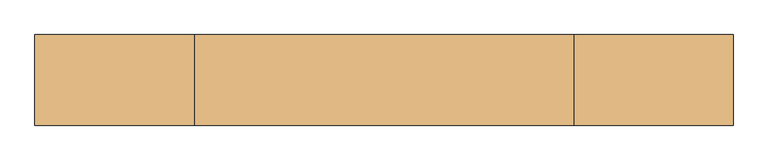
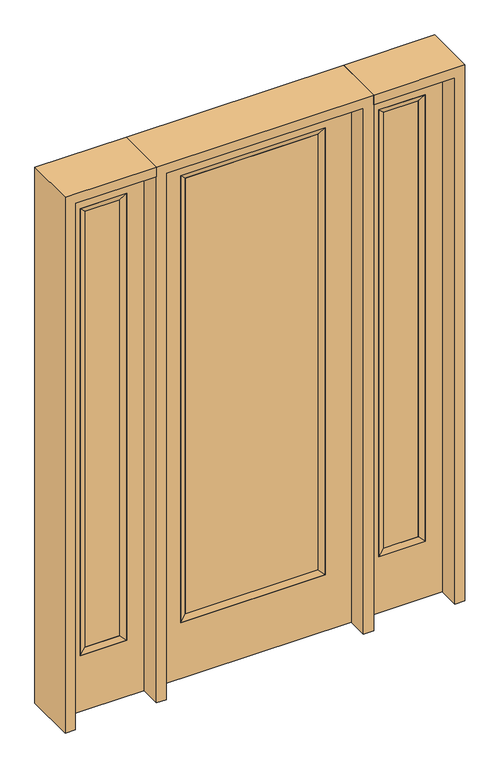
"""IFC4 building model written with IfcOpenShell, lengths in millimetres: door geometry."""

from ifc_helpers import new_model, si_unit, frame, origin, place, context, project, spatial, polyline, outline, extrude, faceted_brep, source, transform, mapped, element, save


def door_afdbe08e(model_context):
    return source(origin(), model_context, "Body", "SolidModel", [
        extrude(outline(polyline([(290.9824, -12.7039749), (-290.9824, -12.7039749), (-290.9824, 14.2875), (290.9824, 14.2875), (290.9824, -12.7039749)])), frame((0.0, 0.0, 285.75), z_axis=(0.0, 0.0, 1.0), x_axis=(1.0, 0.0, 0.0)), (0.0, 0.0, 1.0), 2019.3),
        faceted_brep([(290.9824, 14.2875, 2305.05), (316.3824, 22.225, 2330.45), (316.3824, 22.225, 260.35), (290.9824, 14.2875, 285.75), (316.3824, -22.225, 2330.45), (316.3824, -22.225, 260.35), (-316.3824, 22.225, 260.35), (-290.9824, 14.2875, 285.75), (290.9824, -12.7039749, 2305.05), (290.9824, -12.7039749, 285.75), (-290.9824, -12.7039749, 285.75), (-316.3824, -22.225, 260.35), (-316.3824, 22.225, 2330.45), (-290.9824, 14.2875, 2305.05), (-290.9824, -12.7039749, 2305.05), (-316.3824, -22.225, 2330.45)], [[[0, 1, 2, 3]], [[1, 4, 5, 2]], [[3, 2, 6, 7]], [[8, 0, 3, 9]], [[9, 3, 7, 10]], [[4, 8, 9, 5]], [[5, 9, 10, 11]], [[2, 5, 11, 6]], [[7, 6, 12, 13]], [[10, 7, 13, 14]], [[11, 10, 14, 15]], [[6, 11, 15, 12]], [[13, 12, 1, 0]], [[14, 13, 0, 8]], [[15, 14, 8, 4]], [[12, 15, 4, 1]]]),
        extrude(outline(polyline([(0.0, -431.8), (0.0, 431.8), (2438.4, 431.8), (2438.4, -431.8), (0.0, -431.8)]), holes=[polyline([(260.35, -316.3824), (2330.45, -316.3824), (2330.45, 316.3824), (260.35, 316.3824), (260.35, -316.3824)])]), frame((0.0, -22.225, 0.0), z_axis=(0.0, 1.0, 0.0), x_axis=(0.0, 0.0, 1.0)), (0.0, 0.0, 1.0), 44.45),
        faceted_brep([(552.45, 20.6375, 2330.45), (552.45, 20.6375, 260.35), (552.45, -20.6375, 260.35), (552.45, -20.6375, 2330.45), (577.85, -12.7, 285.75), (577.85, -12.7, 2305.05), (755.65, 20.6375, 260.35), (755.65, -20.6375, 260.35), (577.85, 12.7, 2305.05), (577.85, 12.7, 285.75), (730.25, 12.7, 285.75), (730.25, -12.7, 285.75), (755.65, 20.6375, 2330.45), (755.65, -20.6375, 2330.45), (730.25, 12.7, 2305.05), (730.25, -12.7, 2305.05)], [[[0, 1, 2, 3]], [[3, 2, 4, 5]], [[1, 6, 7, 2]], [[8, 9, 1, 0]], [[9, 10, 6, 1]], [[5, 4, 9, 8]], [[4, 11, 10, 9]], [[2, 7, 11, 4]], [[6, 12, 13, 7]], [[10, 14, 12, 6]], [[11, 15, 14, 10]], [[7, 13, 15, 11]], [[12, 0, 3, 13]], [[14, 8, 0, 12]], [[15, 5, 8, 14]], [[13, 3, 5, 15]]]),
        extrude(outline(polyline([(0.0, 831.85), (2438.4, 831.85), (2438.4, 476.25), (0.0, 476.25), (0.0, 831.85)]), holes=[polyline([(2330.45, 552.45), (2330.45, 755.65), (260.35, 755.65), (260.35, 552.45), (2330.45, 552.45)])]), frame((0.0, -20.6375, 0.0), z_axis=(0.0, 1.0, 0.0), x_axis=(0.0, 0.0, 1.0)), (0.0, 0.0, 1.0), 41.275),
        extrude(outline(polyline([(577.85, -12.7), (577.85, 12.7), (730.25, 12.7), (730.25, -12.7), (577.85, -12.7)])), frame((0.0, 0.0, 284.95625), z_axis=(0.0, 0.0, 1.0), x_axis=(1.0, 0.0, 0.0)), (0.0, 0.0, 1.0), 2020.09375),
        faceted_brep([(-552.45, 20.6375, 2330.45), (-552.45, -20.6375, 2330.45), (-552.45, -20.6375, 260.35), (-552.45, 20.6375, 260.35), (-577.85, -12.7, 2305.05), (-577.85, -12.7, 285.75), (-755.65, -20.6375, 260.35), (-755.65, 20.6375, 260.35), (-577.85, 12.7, 2305.05), (-577.85, 12.7, 285.75), (-730.25, 12.7, 285.75), (-730.25, -12.7, 285.75), (-755.65, -20.6375, 2330.45), (-755.65, 20.6375, 2330.45), (-730.25, 12.7, 2305.05), (-730.25, -12.7, 2305.05)], [[[0, 1, 2, 3]], [[1, 4, 5, 2]], [[3, 2, 6, 7]], [[8, 0, 3, 9]], [[9, 3, 7, 10]], [[4, 8, 9, 5]], [[5, 9, 10, 11]], [[2, 5, 11, 6]], [[7, 6, 12, 13]], [[10, 7, 13, 14]], [[11, 10, 14, 15]], [[6, 11, 15, 12]], [[13, 12, 1, 0]], [[14, 13, 0, 8]], [[15, 14, 8, 4]], [[12, 15, 4, 1]]]),
        extrude(outline(polyline([(0.0, -831.85), (0.0, -476.25), (2438.4, -476.25), (2438.4, -831.85), (0.0, -831.85)]), holes=[polyline([(2330.45, -552.45), (260.35, -552.45), (260.35, -755.65), (2330.45, -755.65), (2330.45, -552.45)])]), frame((0.0, -20.6375, 0.0), z_axis=(0.0, 1.0, 0.0), x_axis=(0.0, 0.0, 1.0)), (0.0, 0.0, 1.0), 41.275),
        extrude(outline(polyline([(-577.85, -12.7), (-730.25, -12.7), (-730.25, 12.7), (-577.85, 12.7), (-577.85, -12.7)])), frame((0.0, 0.0, 284.95625), z_axis=(0.0, 0.0, 1.0), x_axis=(1.0, 0.0, 0.0)), (0.0, 0.0, 1.0), 2020.09375),
        extrude(outline(polyline([(2438.4, -476.25), (2482.85, -476.25), (2482.85, -876.3), (0.0, -876.3), (0.0, -831.85), (2438.4, -831.85), (2438.4, -476.25)])), frame((0.0, -114.3, 0.0), z_axis=(0.0, 1.0, 0.0), x_axis=(0.0, 0.0, 1.0)), (0.0, 0.0, 1.0), 228.6),
        extrude(outline(polyline([(2482.85, -476.25), (0.0, -476.25), (0.0, -431.8), (2438.4, -431.8), (2438.4, 431.8), (0.0, 431.8), (0.0, 476.25), (2482.85, 476.25), (2482.85, -476.25)])), frame((0.0, -114.3, 0.0), z_axis=(0.0, 1.0, 0.0), x_axis=(0.0, 0.0, 1.0)), (0.0, 0.0, 1.0), 228.6),
        extrude(outline(polyline([(0.0, 831.85), (0.0, 876.3), (2482.85, 876.3), (2482.85, 476.25), (2438.4, 476.25), (2438.4, 831.85), (0.0, 831.85)])), frame((0.0, -114.3, 0.0), z_axis=(0.0, 1.0, 0.0), x_axis=(0.0, 0.0, 1.0)), (0.0, 0.0, 1.0), 228.6),
    ])


if __name__ == "__main__":
    model = new_model("IFC4")
    model_context = context("Model", 3, world=origin())
    ifc_project = project(units=[si_unit("LENGTHUNIT", "METRE", prefix="MILLI")], contexts=[model_context])
    site = spatial("IfcSite", under=ifc_project)
    building = spatial("IfcBuilding", under=site)
    placement = place(None, origin())
    door_shape = door_afdbe08e(model_context)
    element("IfcDoor", 1, at=placement, inside=building, context=model_context, shape_type="MappedRepresentation", body=[
        mapped(door_shape, transform((0.0, 0.0, 0.0), x_axis=(1.0, 0.0, 0.0), y_axis=(0.0, 1.0, 0.0), z_axis=(0.0, 0.0, 1.0))),
    ])
    save(model, "model.ifc")
